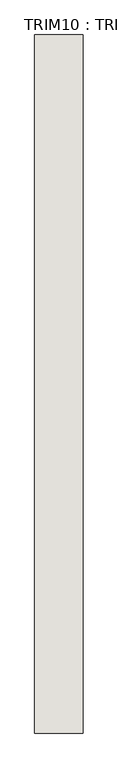
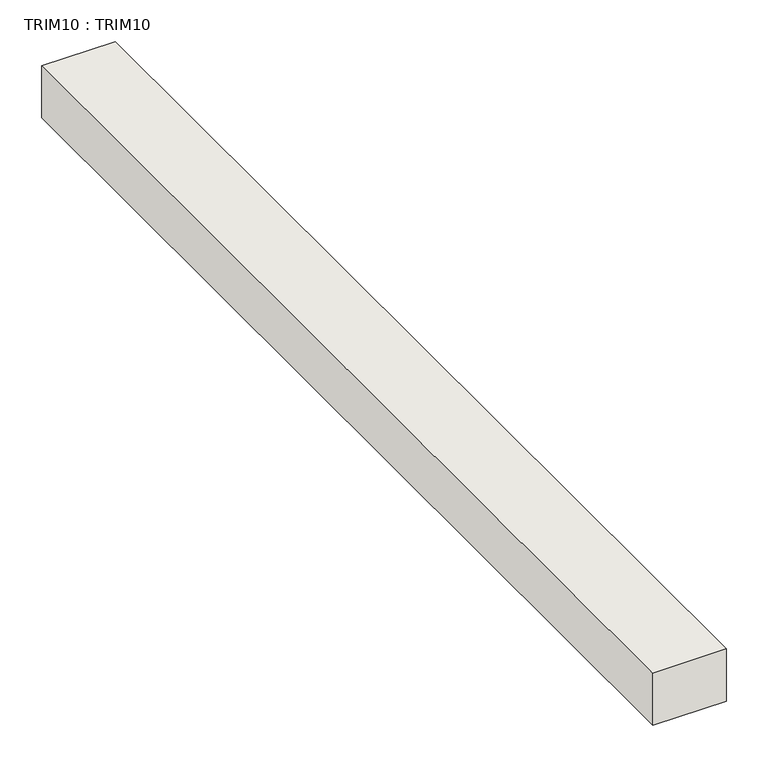
"""IFC4 building model written with IfcOpenShell, lengths in millimetres: wall geometry, TRIM10 : TRIM10."""

from ifc_helpers import new_model, si_unit, frame, origin, place, context, project, spatial, polyline, outline, extrude, source, transform, mapped, element, save


def trim10_trim10_cf7cb0ba(model_context):
    return source(origin(), model_context, "Body", "SweptSolid", [
        extrude(outline(polyline([(-16526.2716415, 2976.4482965), (-16526.2716415, 1509.5982965), (-16627.8716415, 1509.5982965), (-16627.8716415, 2976.4482965), (-16526.2716415, 2976.4482965)])), frame((0.0, 0.0, 972.0103137), z_axis=(0.0, 0.0, 1.0), x_axis=(1.0, 0.0, 0.0)), (0.0, 0.0, 1.0), 76.2),
    ])


if __name__ == "__main__":
    model = new_model("IFC4")
    model_context = context("Model", 3, world=origin())
    ifc_project = project(units=[si_unit("LENGTHUNIT", "METRE", prefix="MILLI")], contexts=[model_context])
    site = spatial("IfcSite", under=ifc_project)
    building = spatial("IfcBuilding", under=site)
    placement = place(None, origin())
    trim10_trim10_shape = trim10_trim10_cf7cb0ba(model_context)
    element("IfcWall", 1, ObjectType="TRIM10 : TRIM10", at=placement, inside=building, context=model_context, shape_type="MappedRepresentation", body=[
        mapped(trim10_trim10_shape, transform((0.0, 0.0, 0.0), x_axis=(1.0, 0.0, 0.0), y_axis=(0.0, 1.0, 0.0), z_axis=(0.0, 0.0, 1.0))),
    ])
    save(model, "model.ifc")
